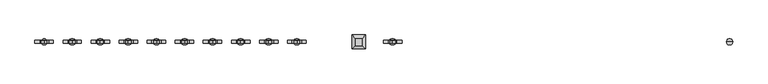
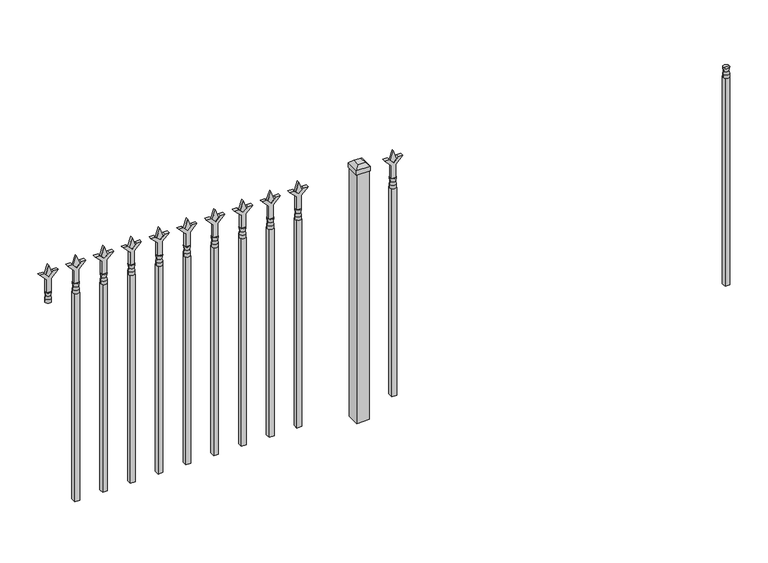
"""IFC4 building model written with IfcOpenShell, lengths in millimetres: railing geometry."""

from ifc_helpers import new_model, si_unit, frame, origin, origin_with_axes, place, context, project, spatial, polyline, circle_curve, outline, extrude, faceted_brep, source, transform, mapped, element, save
from ifc_brep_helpers import plane_surface, cylinder_surface, revolved_surface, advanced_brep


def railing_5a9f447e(model_context):
    return source(origin(), model_context, "Body", "SolidModel", [
        advanced_brep(
        [(-82699.574337, -3073.6570174, 927.1), (-82723.386837, -3073.6570174, 927.1), (-82723.386837, -3073.6570174, 914.4), (-82699.574337, -3073.6570174, 914.4), (-82701.7796688, -3073.6570174, 939.6070585), (-82721.1815051, -3073.6570174, 939.6070585), (-82699.574337, -3073.6570174, 955.675), (-82723.386837, -3073.6570174, 955.675), (-82711.480587, -3073.6570174, 955.675), (-82711.480587, -3073.6570174, 914.4)],
        [
            (0, 1, circle_curve(frame((-82711.480587, -3073.6570174, 927.1), z_axis=(0.0, 0.0, -1.0), x_axis=(-1.0, 0.0, 0.0)), 11.90625)),
            (1, 2),
            (2, 3, circle_curve(frame((-82711.480587, -3073.6570174, 914.4), z_axis=(0.0, 0.0, 1.0), x_axis=(-1.0, 0.0, 0.0)), 11.90625)),
            (3, 0),
            (1, 0, circle_curve(frame((-82711.480587, -3073.6570174, 927.1), z_axis=(0.0, 0.0, -1.0), x_axis=(-1.0, 0.0, 0.0)), 11.90625)),
            (3, 2, circle_curve(frame((-82711.480587, -3073.6570174, 914.4), z_axis=(0.0, 0.0, 1.0), x_axis=(-1.0, 0.0, 0.0)), 11.90625)),
            (4, 5, circle_curve(frame((-82711.480587, -3073.6570174, 939.6070585), z_axis=(0.0, 0.0, -1.0), x_axis=(-1.0, 0.0, 0.0)), 9.7009181)),
            (5, 1),
            (0, 4),
            (5, 4, circle_curve(frame((-82711.480587, -3073.6570174, 939.6070585), z_axis=(0.0, 0.0, -1.0), x_axis=(-1.0, 0.0, 0.0)), 9.7009181)),
            (6, 7, circle_curve(frame((-82711.480587, -3073.6570174, 955.675), z_axis=(0.0, 0.0, -1.0), x_axis=(-1.0, 0.0, 0.0)), 11.90625)),
            (7, 5),
            (4, 6),
            (7, 6, circle_curve(frame((-82711.480587, -3073.6570174, 955.675), z_axis=(0.0, 0.0, -1.0), x_axis=(-1.0, 0.0, 0.0)), 11.90625)),
            (8, 7),
            (6, 8),
            (2, 9),
            (9, 3),
        ],
        [
            cylinder_surface(frame((-82711.480587, -3073.6570174, 914.4), z_axis=(0.0, 0.0, 1.0), x_axis=(-1.0, 0.0, 0.0)), 11.90625),
            revolved_surface(polyline([(-82723.386837, -3073.6570174, 927.1), (-82721.1815051, -3073.6570174, 939.6070585)]), (-82711.480587, -3073.6570174, 914.4), (0.0, 0.0, 1.0)),
            revolved_surface(polyline([(-82721.1815051, -3073.6570174, 939.6070585), (-82723.386837, -3073.6570174, 955.675)]), (-82711.480587, -3073.6570174, 914.4), (0.0, 0.0, 1.0)),
            plane_surface(frame((-82711.480587, -3073.6570174, 955.675), z_axis=(0.0, 0.0, 1.0), x_axis=(-1.0, 0.0, 0.0))),
            plane_surface(frame((-82711.480587, -3073.6570174, 914.4), z_axis=(0.0, 0.0, -1.0), x_axis=(-1.0, 0.0, 0.0))),
        ],
        [
            (0, [[1, 2, 3, 4]]),
            (0, [[5, -4, 6, -2]]),
            (1, [[7, 8, -1, 9]]),
            (1, [[10, -9, -5, -8]]),
            (2, [[11, 12, -7, 13]]),
            (2, [[14, -13, -10, -12]]),
            (3, [[15, -11, 16]]),
            (3, [[-16, -14, -15]]),
            (4, [[-3, 17, 18]]),
            (4, [[-6, -18, -17]]),
        ],
    ),
        extrude(outline(polyline([(-82721.005587, -3064.1320174), (-82701.955587, -3064.1320174), (-82701.955587, -3083.1820174), (-82721.005587, -3083.1820174), (-82721.005587, -3064.1320174)])), frame((0.0, 0.0, 50.8), z_axis=(0.0, 0.0, 1.0), x_axis=(1.0, 0.0, 0.0)), (0.0, 0.0, 1.0), 863.6),
        extrude(outline(polyline([(1031.08125, -84010.849337), (1066.8, -84022.755587), (1031.08125, -84034.661837), (1019.175, -84022.755587), (1031.08125, -84010.849337)])), frame((0.0, -3078.4195174, 0.0), z_axis=(0.0, 1.0, 0.0), x_axis=(0.0, 0.0, 1.0)), (0.0, 0.0, 1.0), 9.525),
        extrude(outline(polyline([(955.675, -84014.024337), (1009.9457378, -84014.024337), (1037.1355122, -83986.8345625), (1037.1355122, -84004.7950747), (1019.175, -84022.755587), (1037.1355122, -84040.7160992), (1037.1355122, -84058.6766114), (1009.9457378, -84031.486837), (955.675, -84031.486837), (955.675, -84014.024337)])), frame((0.0, -3080.0070174, 0.0), z_axis=(0.0, 1.0, 0.0), x_axis=(0.0, 0.0, 1.0)), (0.0, 0.0, 1.0), 12.7),
        advanced_brep(
        [(-84010.849337, -3073.6570174, 927.1), (-84034.661837, -3073.6570174, 927.1), (-84034.661837, -3073.6570174, 914.4), (-84010.849337, -3073.6570174, 914.4), (-84013.0546688, -3073.6570174, 939.6070585), (-84032.4565051, -3073.6570174, 939.6070585), (-84010.849337, -3073.6570174, 955.675), (-84034.661837, -3073.6570174, 955.675), (-84022.755587, -3073.6570174, 955.675), (-84022.755587, -3073.6570174, 914.4)],
        [
            (0, 1, circle_curve(frame((-84022.755587, -3073.6570174, 927.1), z_axis=(0.0, 0.0, -1.0), x_axis=(-1.0, 0.0, 0.0)), 11.90625)),
            (1, 2),
            (2, 3, circle_curve(frame((-84022.755587, -3073.6570174, 914.4), z_axis=(0.0, 0.0, 1.0), x_axis=(-1.0, 0.0, 0.0)), 11.90625)),
            (3, 0),
            (1, 0, circle_curve(frame((-84022.755587, -3073.6570174, 927.1), z_axis=(0.0, 0.0, -1.0), x_axis=(-1.0, 0.0, 0.0)), 11.90625)),
            (3, 2, circle_curve(frame((-84022.755587, -3073.6570174, 914.4), z_axis=(0.0, 0.0, 1.0), x_axis=(-1.0, 0.0, 0.0)), 11.90625)),
            (4, 5, circle_curve(frame((-84022.755587, -3073.6570174, 939.6070585), z_axis=(0.0, 0.0, -1.0), x_axis=(-1.0, 0.0, 0.0)), 9.7009181)),
            (5, 1),
            (0, 4),
            (5, 4, circle_curve(frame((-84022.755587, -3073.6570174, 939.6070585), z_axis=(0.0, 0.0, -1.0), x_axis=(-1.0, 0.0, 0.0)), 9.7009181)),
            (6, 7, circle_curve(frame((-84022.755587, -3073.6570174, 955.675), z_axis=(0.0, 0.0, -1.0), x_axis=(-1.0, 0.0, 0.0)), 11.90625)),
            (7, 5),
            (4, 6),
            (7, 6, circle_curve(frame((-84022.755587, -3073.6570174, 955.675), z_axis=(0.0, 0.0, -1.0), x_axis=(-1.0, 0.0, 0.0)), 11.90625)),
            (8, 7),
            (6, 8),
            (2, 9),
            (9, 3),
        ],
        [
            cylinder_surface(frame((-84022.755587, -3073.6570174, 914.4), z_axis=(0.0, 0.0, 1.0), x_axis=(-1.0, 0.0, 0.0)), 11.90625),
            revolved_surface(polyline([(-84034.661837, -3073.6570174, 927.1), (-84032.4565051, -3073.6570174, 939.6070585)]), (-84022.755587, -3073.6570174, 914.4), (0.0, 0.0, 1.0)),
            revolved_surface(polyline([(-84032.4565051, -3073.6570174, 939.6070585), (-84034.661837, -3073.6570174, 955.675)]), (-84022.755587, -3073.6570174, 914.4), (0.0, 0.0, 1.0)),
            plane_surface(frame((-84022.755587, -3073.6570174, 955.675), z_axis=(0.0, 0.0, 1.0), x_axis=(-1.0, 0.0, 0.0))),
            plane_surface(frame((-84022.755587, -3073.6570174, 914.4), z_axis=(0.0, 0.0, -1.0), x_axis=(-1.0, 0.0, 0.0))),
        ],
        [
            (0, [[1, 2, 3, 4]]),
            (0, [[5, -4, 6, -2]]),
            (1, [[7, 8, -1, 9]]),
            (1, [[10, -9, -5, -8]]),
            (2, [[11, 12, -7, 13]]),
            (2, [[14, -13, -10, -12]]),
            (3, [[15, -11, 16]]),
            (3, [[-16, -14, -15]]),
            (4, [[-3, 17, 18]]),
            (4, [[-6, -18, -17]]),
        ],
    ),
        extrude(outline(polyline([(-84032.280587, -3064.1320174), (-84013.230587, -3064.1320174), (-84013.230587, -3083.1820174), (-84032.280587, -3083.1820174), (-84032.280587, -3064.1320174)])), frame((0.0, 0.0, 50.8), z_axis=(0.0, 0.0, 1.0), x_axis=(1.0, 0.0, 0.0)), (0.0, 0.0, 1.0), 863.6),
        faceted_brep([(-84181.505587, -3046.6695174, 1054.1), (-84181.505587, -3046.6695174, 1035.05), (-84181.505587, -3100.6445174, 1035.05), (-84181.505587, -3100.6445174, 1054.1), (-84168.805587, -3059.3695174, 1066.8), (-84168.805587, -3087.9445174, 1066.8), (-84127.530587, -3100.6445174, 1035.05), (-84127.530587, -3100.6445174, 1054.1), (-84140.230587, -3087.9445174, 1066.8), (-84127.530587, -3046.6695174, 1035.05), (-84127.530587, -3046.6695174, 1054.1), (-84140.230587, -3059.3695174, 1066.8)], [[[0, 1, 2, 3]], [[4, 0, 3, 5]], [[3, 2, 6, 7]], [[5, 3, 7, 8]], [[7, 6, 9, 10]], [[8, 7, 10, 11]], [[10, 9, 1, 0]], [[11, 10, 0, 4]], [[5, 8, 11, 4]], [[1, 9, 6, 2]]]),
        extrude(outline(polyline([(-84129.118087, -3048.2570174), (-84129.118087, -3099.0570174), (-84179.918087, -3099.0570174), (-84179.918087, -3048.2570174), (-84129.118087, -3048.2570174)])), origin_with_axes(), (0.0, 0.0, 1.0), 1035.05),
        extrude(outline(polyline([(1031.08125, -84383.6472536), (1066.8, -84395.5535036), (1031.08125, -84407.4597536), (1019.175, -84395.5535036), (1031.08125, -84383.6472536)])), frame((0.0, -3078.4195174, 0.0), z_axis=(0.0, 1.0, 0.0), x_axis=(0.0, 0.0, 1.0)), (0.0, 0.0, 1.0), 9.525),
        extrude(outline(polyline([(955.675, -84386.8222536), (1009.9457378, -84386.8222536), (1037.1355122, -84359.6324791), (1037.1355122, -84377.5929914), (1019.175, -84395.5535036), (1037.1355122, -84413.5140159), (1037.1355122, -84431.4745281), (1009.9457378, -84404.2847536), (955.675, -84404.2847536), (955.675, -84386.8222536)])), frame((0.0, -3080.0070174, 0.0), z_axis=(0.0, 1.0, 0.0), x_axis=(0.0, 0.0, 1.0)), (0.0, 0.0, 1.0), 12.7),
        advanced_brep(
        [(-84383.6472536, -3073.6570174, 927.1), (-84407.4597536, -3073.6570174, 927.1), (-84407.4597536, -3073.6570174, 914.4), (-84383.6472536, -3073.6570174, 914.4), (-84385.8525855, -3073.6570174, 939.6070585), (-84405.2544218, -3073.6570174, 939.6070585), (-84383.6472536, -3073.6570174, 955.675), (-84407.4597536, -3073.6570174, 955.675), (-84395.5535036, -3073.6570174, 955.675), (-84395.5535036, -3073.6570174, 914.4)],
        [
            (0, 1, circle_curve(frame((-84395.5535036, -3073.6570174, 927.1), z_axis=(0.0, 0.0, -1.0), x_axis=(-1.0, 0.0, 0.0)), 11.90625)),
            (1, 2),
            (2, 3, circle_curve(frame((-84395.5535036, -3073.6570174, 914.4), z_axis=(0.0, 0.0, 1.0), x_axis=(-1.0, 0.0, 0.0)), 11.90625)),
            (3, 0),
            (1, 0, circle_curve(frame((-84395.5535036, -3073.6570174, 927.1), z_axis=(0.0, 0.0, -1.0), x_axis=(-1.0, 0.0, 0.0)), 11.90625)),
            (3, 2, circle_curve(frame((-84395.5535036, -3073.6570174, 914.4), z_axis=(0.0, 0.0, 1.0), x_axis=(-1.0, 0.0, 0.0)), 11.90625)),
            (4, 5, circle_curve(frame((-84395.5535036, -3073.6570174, 939.6070585), z_axis=(0.0, 0.0, -1.0), x_axis=(-1.0, 0.0, 0.0)), 9.7009181)),
            (5, 1),
            (0, 4),
            (5, 4, circle_curve(frame((-84395.5535036, -3073.6570174, 939.6070585), z_axis=(0.0, 0.0, -1.0), x_axis=(-1.0, 0.0, 0.0)), 9.7009181)),
            (6, 7, circle_curve(frame((-84395.5535036, -3073.6570174, 955.675), z_axis=(0.0, 0.0, -1.0), x_axis=(-1.0, 0.0, 0.0)), 11.90625)),
            (7, 5),
            (4, 6),
            (7, 6, circle_curve(frame((-84395.5535036, -3073.6570174, 955.675), z_axis=(0.0, 0.0, -1.0), x_axis=(-1.0, 0.0, 0.0)), 11.90625)),
            (8, 7),
            (6, 8),
            (2, 9),
            (9, 3),
        ],
        [
            cylinder_surface(frame((-84395.5535036, -3073.6570174, 914.4), z_axis=(0.0, 0.0, 1.0), x_axis=(-1.0, 0.0, 0.0)), 11.90625),
            revolved_surface(polyline([(-84407.4597536, -3073.6570174, 927.1), (-84405.2544218, -3073.6570174, 939.6070585)]), (-84395.5535036, -3073.6570174, 914.4), (0.0, 0.0, 1.0)),
            revolved_surface(polyline([(-84405.2544218, -3073.6570174, 939.6070585), (-84407.4597536, -3073.6570174, 955.675)]), (-84395.5535036, -3073.6570174, 914.4), (0.0, 0.0, 1.0)),
            plane_surface(frame((-84395.5535036, -3073.6570174, 955.675), z_axis=(0.0, 0.0, 1.0), x_axis=(-1.0, 0.0, 0.0))),
            plane_surface(frame((-84395.5535036, -3073.6570174, 914.4), z_axis=(0.0, 0.0, -1.0), x_axis=(-1.0, 0.0, 0.0))),
        ],
        [
            (0, [[1, 2, 3, 4]]),
            (0, [[5, -4, 6, -2]]),
            (1, [[7, 8, -1, 9]]),
            (1, [[10, -9, -5, -8]]),
            (2, [[11, 12, -7, 13]]),
            (2, [[14, -13, -10, -12]]),
            (3, [[15, -11, 16]]),
            (3, [[-16, -14, -15]]),
            (4, [[-3, 17, 18]]),
            (4, [[-6, -18, -17]]),
        ],
    ),
        extrude(outline(polyline([(-84405.0785036, -3064.1320174), (-84386.0285036, -3064.1320174), (-84386.0285036, -3083.1820174), (-84405.0785036, -3083.1820174), (-84405.0785036, -3064.1320174)])), frame((0.0, 0.0, 50.8), z_axis=(0.0, 0.0, 1.0), x_axis=(1.0, 0.0, 0.0)), (0.0, 0.0, 1.0), 863.6),
        extrude(outline(polyline([(1031.08125, -84492.9201703), (1066.8, -84504.8264203), (1031.08125, -84516.7326703), (1019.175, -84504.8264203), (1031.08125, -84492.9201703)])), frame((0.0, -3078.4195174, 0.0), z_axis=(0.0, 1.0, 0.0), x_axis=(0.0, 0.0, 1.0)), (0.0, 0.0, 1.0), 9.525),
        extrude(outline(polyline([(955.675, -84496.0951703), (1009.9457378, -84496.0951703), (1037.1355122, -84468.9053958), (1037.1355122, -84486.8659081), (1019.175, -84504.8264203), (1037.1355122, -84522.7869325), (1037.1355122, -84540.7474448), (1009.9457378, -84513.5576703), (955.675, -84513.5576703), (955.675, -84496.0951703)])), frame((0.0, -3080.0070174, 0.0), z_axis=(0.0, 1.0, 0.0), x_axis=(0.0, 0.0, 1.0)), (0.0, 0.0, 1.0), 12.7),
        advanced_brep(
        [(-84492.9201703, -3073.6570174, 927.1), (-84516.7326703, -3073.6570174, 927.1), (-84516.7326703, -3073.6570174, 914.4), (-84492.9201703, -3073.6570174, 914.4), (-84495.1255022, -3073.6570174, 939.6070585), (-84514.5273384, -3073.6570174, 939.6070585), (-84492.9201703, -3073.6570174, 955.675), (-84516.7326703, -3073.6570174, 955.675), (-84504.8264203, -3073.6570174, 955.675), (-84504.8264203, -3073.6570174, 914.4)],
        [
            (0, 1, circle_curve(frame((-84504.8264203, -3073.6570174, 927.1), z_axis=(0.0, 0.0, -1.0), x_axis=(-1.0, 0.0, 0.0)), 11.90625)),
            (1, 2),
            (2, 3, circle_curve(frame((-84504.8264203, -3073.6570174, 914.4), z_axis=(0.0, 0.0, 1.0), x_axis=(-1.0, 0.0, 0.0)), 11.90625)),
            (3, 0),
            (1, 0, circle_curve(frame((-84504.8264203, -3073.6570174, 927.1), z_axis=(0.0, 0.0, -1.0), x_axis=(-1.0, 0.0, 0.0)), 11.90625)),
            (3, 2, circle_curve(frame((-84504.8264203, -3073.6570174, 914.4), z_axis=(0.0, 0.0, 1.0), x_axis=(-1.0, 0.0, 0.0)), 11.90625)),
            (4, 5, circle_curve(frame((-84504.8264203, -3073.6570174, 939.6070585), z_axis=(0.0, 0.0, -1.0), x_axis=(-1.0, 0.0, 0.0)), 9.7009181)),
            (5, 1),
            (0, 4),
            (5, 4, circle_curve(frame((-84504.8264203, -3073.6570174, 939.6070585), z_axis=(0.0, 0.0, -1.0), x_axis=(-1.0, 0.0, 0.0)), 9.7009181)),
            (6, 7, circle_curve(frame((-84504.8264203, -3073.6570174, 955.675), z_axis=(0.0, 0.0, -1.0), x_axis=(-1.0, 0.0, 0.0)), 11.90625)),
            (7, 5),
            (4, 6),
            (7, 6, circle_curve(frame((-84504.8264203, -3073.6570174, 955.675), z_axis=(0.0, 0.0, -1.0), x_axis=(-1.0, 0.0, 0.0)), 11.90625)),
            (8, 7),
            (6, 8),
            (2, 9),
            (9, 3),
        ],
        [
            cylinder_surface(frame((-84504.8264203, -3073.6570174, 914.4), z_axis=(0.0, 0.0, 1.0), x_axis=(-1.0, 0.0, 0.0)), 11.90625),
            revolved_surface(polyline([(-84516.7326703, -3073.6570174, 927.1), (-84514.5273384, -3073.6570174, 939.6070585)]), (-84504.8264203, -3073.6570174, 914.4), (0.0, 0.0, 1.0)),
            revolved_surface(polyline([(-84514.5273384, -3073.6570174, 939.6070585), (-84516.7326703, -3073.6570174, 955.675)]), (-84504.8264203, -3073.6570174, 914.4), (0.0, 0.0, 1.0)),
            plane_surface(frame((-84504.8264203, -3073.6570174, 955.675), z_axis=(0.0, 0.0, 1.0), x_axis=(-1.0, 0.0, 0.0))),
            plane_surface(frame((-84504.8264203, -3073.6570174, 914.4), z_axis=(0.0, 0.0, -1.0), x_axis=(-1.0, 0.0, 0.0))),
        ],
        [
            (0, [[1, 2, 3, 4]]),
            (0, [[5, -4, 6, -2]]),
            (1, [[7, 8, -1, 9]]),
            (1, [[10, -9, -5, -8]]),
            (2, [[11, 12, -7, 13]]),
            (2, [[14, -13, -10, -12]]),
            (3, [[15, -11, 16]]),
            (3, [[-16, -14, -15]]),
            (4, [[-3, 17, 18]]),
            (4, [[-6, -18, -17]]),
        ],
    ),
        extrude(outline(polyline([(-84514.3514203, -3064.1320174), (-84495.3014203, -3064.1320174), (-84495.3014203, -3083.1820174), (-84514.3514203, -3083.1820174), (-84514.3514203, -3064.1320174)])), frame((0.0, 0.0, 50.8), z_axis=(0.0, 0.0, 1.0), x_axis=(1.0, 0.0, 0.0)), (0.0, 0.0, 1.0), 863.6),
        extrude(outline(polyline([(1031.08125, -84602.193087), (1066.8, -84614.099337), (1031.08125, -84626.005587), (1019.175, -84614.099337), (1031.08125, -84602.193087)])), frame((0.0, -3078.4195174, 0.0), z_axis=(0.0, 1.0, 0.0), x_axis=(0.0, 0.0, 1.0)), (0.0, 0.0, 1.0), 9.525),
        extrude(outline(polyline([(955.675, -84605.368087), (1009.9457378, -84605.368087), (1037.1355122, -84578.1783125), (1037.1355122, -84596.1388247), (1019.175, -84614.099337), (1037.1355122, -84632.0598492), (1037.1355122, -84650.0203614), (1009.9457378, -84622.830587), (955.675, -84622.830587), (955.675, -84605.368087)])), frame((0.0, -3080.0070174, 0.0), z_axis=(0.0, 1.0, 0.0), x_axis=(0.0, 0.0, 1.0)), (0.0, 0.0, 1.0), 12.7),
        advanced_brep(
        [(-84602.193087, -3073.6570174, 927.1), (-84626.005587, -3073.6570174, 927.1), (-84626.005587, -3073.6570174, 914.4), (-84602.193087, -3073.6570174, 914.4), (-84604.3984188, -3073.6570174, 939.6070585), (-84623.8002551, -3073.6570174, 939.6070585), (-84602.193087, -3073.6570174, 955.675), (-84626.005587, -3073.6570174, 955.675), (-84614.099337, -3073.6570174, 955.675), (-84614.099337, -3073.6570174, 914.4)],
        [
            (0, 1, circle_curve(frame((-84614.099337, -3073.6570174, 927.1), z_axis=(0.0, 0.0, -1.0), x_axis=(-1.0, 0.0, 0.0)), 11.90625)),
            (1, 2),
            (2, 3, circle_curve(frame((-84614.099337, -3073.6570174, 914.4), z_axis=(0.0, 0.0, 1.0), x_axis=(-1.0, 0.0, 0.0)), 11.90625)),
            (3, 0),
            (1, 0, circle_curve(frame((-84614.099337, -3073.6570174, 927.1), z_axis=(0.0, 0.0, -1.0), x_axis=(-1.0, 0.0, 0.0)), 11.90625)),
            (3, 2, circle_curve(frame((-84614.099337, -3073.6570174, 914.4), z_axis=(0.0, 0.0, 1.0), x_axis=(-1.0, 0.0, 0.0)), 11.90625)),
            (4, 5, circle_curve(frame((-84614.099337, -3073.6570174, 939.6070585), z_axis=(0.0, 0.0, -1.0), x_axis=(-1.0, 0.0, 0.0)), 9.7009181)),
            (5, 1),
            (0, 4),
            (5, 4, circle_curve(frame((-84614.099337, -3073.6570174, 939.6070585), z_axis=(0.0, 0.0, -1.0), x_axis=(-1.0, 0.0, 0.0)), 9.7009181)),
            (6, 7, circle_curve(frame((-84614.099337, -3073.6570174, 955.675), z_axis=(0.0, 0.0, -1.0), x_axis=(-1.0, 0.0, 0.0)), 11.90625)),
            (7, 5),
            (4, 6),
            (7, 6, circle_curve(frame((-84614.099337, -3073.6570174, 955.675), z_axis=(0.0, 0.0, -1.0), x_axis=(-1.0, 0.0, 0.0)), 11.90625)),
            (8, 7),
            (6, 8),
            (2, 9),
            (9, 3),
        ],
        [
            cylinder_surface(frame((-84614.099337, -3073.6570174, 914.4), z_axis=(0.0, 0.0, 1.0), x_axis=(-1.0, 0.0, 0.0)), 11.90625),
            revolved_surface(polyline([(-84626.005587, -3073.6570174, 927.1), (-84623.8002551, -3073.6570174, 939.6070585)]), (-84614.099337, -3073.6570174, 914.4), (0.0, 0.0, 1.0)),
            revolved_surface(polyline([(-84623.8002551, -3073.6570174, 939.6070585), (-84626.005587, -3073.6570174, 955.675)]), (-84614.099337, -3073.6570174, 914.4), (0.0, 0.0, 1.0)),
            plane_surface(frame((-84614.099337, -3073.6570174, 955.675), z_axis=(0.0, 0.0, 1.0), x_axis=(-1.0, 0.0, 0.0))),
            plane_surface(frame((-84614.099337, -3073.6570174, 914.4), z_axis=(0.0, 0.0, -1.0), x_axis=(-1.0, 0.0, 0.0))),
        ],
        [
            (0, [[1, 2, 3, 4]]),
            (0, [[5, -4, 6, -2]]),
            (1, [[7, 8, -1, 9]]),
            (1, [[10, -9, -5, -8]]),
            (2, [[11, 12, -7, 13]]),
            (2, [[14, -13, -10, -12]]),
            (3, [[15, -11, 16]]),
            (3, [[-16, -14, -15]]),
            (4, [[-3, 17, 18]]),
            (4, [[-6, -18, -17]]),
        ],
    ),
        extrude(outline(polyline([(-84623.624337, -3064.1320174), (-84604.574337, -3064.1320174), (-84604.574337, -3083.1820174), (-84623.624337, -3083.1820174), (-84623.624337, -3064.1320174)])), frame((0.0, 0.0, 50.8), z_axis=(0.0, 0.0, 1.0), x_axis=(1.0, 0.0, 0.0)), (0.0, 0.0, 1.0), 863.6),
        extrude(outline(polyline([(1031.08125, -84711.4660036), (1066.8, -84723.3722536), (1031.08125, -84735.2785036), (1019.175, -84723.3722536), (1031.08125, -84711.4660036)])), frame((0.0, -3078.4195174, 0.0), z_axis=(0.0, 1.0, 0.0), x_axis=(0.0, 0.0, 1.0)), (0.0, 0.0, 1.0), 9.525),
        extrude(outline(polyline([(955.675, -84714.6410036), (1009.9457378, -84714.6410036), (1037.1355122, -84687.4512291), (1037.1355122, -84705.4117414), (1019.175, -84723.3722536), (1037.1355122, -84741.3327659), (1037.1355122, -84759.2932781), (1009.9457378, -84732.1035036), (955.675, -84732.1035036), (955.675, -84714.6410036)])), frame((0.0, -3080.0070174, 0.0), z_axis=(0.0, 1.0, 0.0), x_axis=(0.0, 0.0, 1.0)), (0.0, 0.0, 1.0), 12.7),
        advanced_brep(
        [(-84711.4660036, -3073.6570174, 927.1), (-84735.2785036, -3073.6570174, 927.1), (-84735.2785036, -3073.6570174, 914.4), (-84711.4660036, -3073.6570174, 914.4), (-84713.6713355, -3073.6570174, 939.6070585), (-84733.0731718, -3073.6570174, 939.6070585), (-84711.4660036, -3073.6570174, 955.675), (-84735.2785036, -3073.6570174, 955.675), (-84723.3722536, -3073.6570174, 955.675), (-84723.3722536, -3073.6570174, 914.4)],
        [
            (0, 1, circle_curve(frame((-84723.3722536, -3073.6570174, 927.1), z_axis=(0.0, 0.0, -1.0), x_axis=(-1.0, 0.0, 0.0)), 11.90625)),
            (1, 2),
            (2, 3, circle_curve(frame((-84723.3722536, -3073.6570174, 914.4), z_axis=(0.0, 0.0, 1.0), x_axis=(-1.0, 0.0, 0.0)), 11.90625)),
            (3, 0),
            (1, 0, circle_curve(frame((-84723.3722536, -3073.6570174, 927.1), z_axis=(0.0, 0.0, -1.0), x_axis=(-1.0, 0.0, 0.0)), 11.90625)),
            (3, 2, circle_curve(frame((-84723.3722536, -3073.6570174, 914.4), z_axis=(0.0, 0.0, 1.0), x_axis=(-1.0, 0.0, 0.0)), 11.90625)),
            (4, 5, circle_curve(frame((-84723.3722536, -3073.6570174, 939.6070585), z_axis=(0.0, 0.0, -1.0), x_axis=(-1.0, 0.0, 0.0)), 9.7009181)),
            (5, 1),
            (0, 4),
            (5, 4, circle_curve(frame((-84723.3722536, -3073.6570174, 939.6070585), z_axis=(0.0, 0.0, -1.0), x_axis=(-1.0, 0.0, 0.0)), 9.7009181)),
            (6, 7, circle_curve(frame((-84723.3722536, -3073.6570174, 955.675), z_axis=(0.0, 0.0, -1.0), x_axis=(-1.0, 0.0, 0.0)), 11.90625)),
            (7, 5),
            (4, 6),
            (7, 6, circle_curve(frame((-84723.3722536, -3073.6570174, 955.675), z_axis=(0.0, 0.0, -1.0), x_axis=(-1.0, 0.0, 0.0)), 11.90625)),
            (8, 7),
            (6, 8),
            (2, 9),
            (9, 3),
        ],
        [
            cylinder_surface(frame((-84723.3722536, -3073.6570174, 914.4), z_axis=(0.0, 0.0, 1.0), x_axis=(-1.0, 0.0, 0.0)), 11.90625),
            revolved_surface(polyline([(-84735.2785036, -3073.6570174, 927.1), (-84733.0731718, -3073.6570174, 939.6070585)]), (-84723.3722536, -3073.6570174, 914.4), (0.0, 0.0, 1.0)),
            revolved_surface(polyline([(-84733.0731718, -3073.6570174, 939.6070585), (-84735.2785036, -3073.6570174, 955.675)]), (-84723.3722536, -3073.6570174, 914.4), (0.0, 0.0, 1.0)),
            plane_surface(frame((-84723.3722536, -3073.6570174, 955.675), z_axis=(0.0, 0.0, 1.0), x_axis=(-1.0, 0.0, 0.0))),
            plane_surface(frame((-84723.3722536, -3073.6570174, 914.4), z_axis=(0.0, 0.0, -1.0), x_axis=(-1.0, 0.0, 0.0))),
        ],
        [
            (0, [[1, 2, 3, 4]]),
            (0, [[5, -4, 6, -2]]),
            (1, [[7, 8, -1, 9]]),
            (1, [[10, -9, -5, -8]]),
            (2, [[11, 12, -7, 13]]),
            (2, [[14, -13, -10, -12]]),
            (3, [[15, -11, 16]]),
            (3, [[-16, -14, -15]]),
            (4, [[-3, 17, 18]]),
            (4, [[-6, -18, -17]]),
        ],
    ),
        extrude(outline(polyline([(-84732.8972536, -3064.1320174), (-84713.8472536, -3064.1320174), (-84713.8472536, -3083.1820174), (-84732.8972536, -3083.1820174), (-84732.8972536, -3064.1320174)])), frame((0.0, 0.0, 50.8), z_axis=(0.0, 0.0, 1.0), x_axis=(1.0, 0.0, 0.0)), (0.0, 0.0, 1.0), 863.6),
        extrude(outline(polyline([(1031.08125, -84820.7389203), (1066.8, -84832.6451703), (1031.08125, -84844.5514203), (1019.175, -84832.6451703), (1031.08125, -84820.7389203)])), frame((0.0, -3078.4195174, 0.0), z_axis=(0.0, 1.0, 0.0), x_axis=(0.0, 0.0, 1.0)), (0.0, 0.0, 1.0), 9.525),
        extrude(outline(polyline([(955.675, -84823.9139203), (1009.9457378, -84823.9139203), (1037.1355122, -84796.7241458), (1037.1355122, -84814.6846581), (1019.175, -84832.6451703), (1037.1355122, -84850.6056825), (1037.1355122, -84868.5661948), (1009.9457378, -84841.3764203), (955.675, -84841.3764203), (955.675, -84823.9139203)])), frame((0.0, -3080.0070174, 0.0), z_axis=(0.0, 1.0, 0.0), x_axis=(0.0, 0.0, 1.0)), (0.0, 0.0, 1.0), 12.7),
        advanced_brep(
        [(-84820.7389203, -3073.6570174, 927.1), (-84844.5514203, -3073.6570174, 927.1), (-84844.5514203, -3073.6570174, 914.4), (-84820.7389203, -3073.6570174, 914.4), (-84822.9442522, -3073.6570174, 939.6070585), (-84842.3460884, -3073.6570174, 939.6070585), (-84820.7389203, -3073.6570174, 955.675), (-84844.5514203, -3073.6570174, 955.675), (-84832.6451703, -3073.6570174, 955.675), (-84832.6451703, -3073.6570174, 914.4)],
        [
            (0, 1, circle_curve(frame((-84832.6451703, -3073.6570174, 927.1), z_axis=(0.0, 0.0, -1.0), x_axis=(-1.0, 0.0, 0.0)), 11.90625)),
            (1, 2),
            (2, 3, circle_curve(frame((-84832.6451703, -3073.6570174, 914.4), z_axis=(0.0, 0.0, 1.0), x_axis=(-1.0, 0.0, 0.0)), 11.90625)),
            (3, 0),
            (1, 0, circle_curve(frame((-84832.6451703, -3073.6570174, 927.1), z_axis=(0.0, 0.0, -1.0), x_axis=(-1.0, 0.0, 0.0)), 11.90625)),
            (3, 2, circle_curve(frame((-84832.6451703, -3073.6570174, 914.4), z_axis=(0.0, 0.0, 1.0), x_axis=(-1.0, 0.0, 0.0)), 11.90625)),
            (4, 5, circle_curve(frame((-84832.6451703, -3073.6570174, 939.6070585), z_axis=(0.0, 0.0, -1.0), x_axis=(-1.0, 0.0, 0.0)), 9.7009181)),
            (5, 1),
            (0, 4),
            (5, 4, circle_curve(frame((-84832.6451703, -3073.6570174, 939.6070585), z_axis=(0.0, 0.0, -1.0), x_axis=(-1.0, 0.0, 0.0)), 9.7009181)),
            (6, 7, circle_curve(frame((-84832.6451703, -3073.6570174, 955.675), z_axis=(0.0, 0.0, -1.0), x_axis=(-1.0, 0.0, 0.0)), 11.90625)),
            (7, 5),
            (4, 6),
            (7, 6, circle_curve(frame((-84832.6451703, -3073.6570174, 955.675), z_axis=(0.0, 0.0, -1.0), x_axis=(-1.0, 0.0, 0.0)), 11.90625)),
            (8, 7),
            (6, 8),
            (2, 9),
            (9, 3),
        ],
        [
            cylinder_surface(frame((-84832.6451703, -3073.6570174, 914.4), z_axis=(0.0, 0.0, 1.0), x_axis=(-1.0, 0.0, 0.0)), 11.90625),
            revolved_surface(polyline([(-84844.5514203, -3073.6570174, 927.1), (-84842.3460884, -3073.6570174, 939.6070585)]), (-84832.6451703, -3073.6570174, 914.4), (0.0, 0.0, 1.0)),
            revolved_surface(polyline([(-84842.3460884, -3073.6570174, 939.6070585), (-84844.5514203, -3073.6570174, 955.675)]), (-84832.6451703, -3073.6570174, 914.4), (0.0, 0.0, 1.0)),
            plane_surface(frame((-84832.6451703, -3073.6570174, 955.675), z_axis=(0.0, 0.0, 1.0), x_axis=(-1.0, 0.0, 0.0))),
            plane_surface(frame((-84832.6451703, -3073.6570174, 914.4), z_axis=(0.0, 0.0, -1.0), x_axis=(-1.0, 0.0, 0.0))),
        ],
        [
            (0, [[1, 2, 3, 4]]),
            (0, [[5, -4, 6, -2]]),
            (1, [[7, 8, -1, 9]]),
            (1, [[10, -9, -5, -8]]),
            (2, [[11, 12, -7, 13]]),
            (2, [[14, -13, -10, -12]]),
            (3, [[15, -11, 16]]),
            (3, [[-16, -14, -15]]),
            (4, [[-3, 17, 18]]),
            (4, [[-6, -18, -17]]),
        ],
    ),
        extrude(outline(polyline([(-84842.1701703, -3064.1320174), (-84823.1201703, -3064.1320174), (-84823.1201703, -3083.1820174), (-84842.1701703, -3083.1820174), (-84842.1701703, -3064.1320174)])), frame((0.0, 0.0, 50.8), z_axis=(0.0, 0.0, 1.0), x_axis=(1.0, 0.0, 0.0)), (0.0, 0.0, 1.0), 863.6),
        extrude(outline(polyline([(1031.08125, -84930.011837), (1066.8, -84941.918087), (1031.08125, -84953.824337), (1019.175, -84941.918087), (1031.08125, -84930.011837)])), frame((0.0, -3078.4195174, 0.0), z_axis=(0.0, 1.0, 0.0), x_axis=(0.0, 0.0, 1.0)), (0.0, 0.0, 1.0), 9.525),
        extrude(outline(polyline([(955.675, -84933.186837), (1009.9457378, -84933.186837), (1037.1355122, -84905.9970625), (1037.1355122, -84923.9575747), (1019.175, -84941.918087), (1037.1355122, -84959.8785992), (1037.1355122, -84977.8391114), (1009.9457378, -84950.649337), (955.675, -84950.649337), (955.675, -84933.186837)])), frame((0.0, -3080.0070174, 0.0), z_axis=(0.0, 1.0, 0.0), x_axis=(0.0, 0.0, 1.0)), (0.0, 0.0, 1.0), 12.7),
        advanced_brep(
        [(-84930.011837, -3073.6570174, 927.1), (-84953.824337, -3073.6570174, 927.1), (-84953.824337, -3073.6570174, 914.4), (-84930.011837, -3073.6570174, 914.4), (-84932.2171688, -3073.6570174, 939.6070585), (-84951.6190051, -3073.6570174, 939.6070585), (-84930.011837, -3073.6570174, 955.675), (-84953.824337, -3073.6570174, 955.675), (-84941.918087, -3073.6570174, 955.675), (-84941.918087, -3073.6570174, 914.4)],
        [
            (0, 1, circle_curve(frame((-84941.918087, -3073.6570174, 927.1), z_axis=(0.0, 0.0, -1.0), x_axis=(-1.0, 0.0, 0.0)), 11.90625)),
            (1, 2),
            (2, 3, circle_curve(frame((-84941.918087, -3073.6570174, 914.4), z_axis=(0.0, 0.0, 1.0), x_axis=(-1.0, 0.0, 0.0)), 11.90625)),
            (3, 0),
            (1, 0, circle_curve(frame((-84941.918087, -3073.6570174, 927.1), z_axis=(0.0, 0.0, -1.0), x_axis=(-1.0, 0.0, 0.0)), 11.90625)),
            (3, 2, circle_curve(frame((-84941.918087, -3073.6570174, 914.4), z_axis=(0.0, 0.0, 1.0), x_axis=(-1.0, 0.0, 0.0)), 11.90625)),
            (4, 5, circle_curve(frame((-84941.918087, -3073.6570174, 939.6070585), z_axis=(0.0, 0.0, -1.0), x_axis=(-1.0, 0.0, 0.0)), 9.7009181)),
            (5, 1),
            (0, 4),
            (5, 4, circle_curve(frame((-84941.918087, -3073.6570174, 939.6070585), z_axis=(0.0, 0.0, -1.0), x_axis=(-1.0, 0.0, 0.0)), 9.7009181)),
            (6, 7, circle_curve(frame((-84941.918087, -3073.6570174, 955.675), z_axis=(0.0, 0.0, -1.0), x_axis=(-1.0, 0.0, 0.0)), 11.90625)),
            (7, 5),
            (4, 6),
            (7, 6, circle_curve(frame((-84941.918087, -3073.6570174, 955.675), z_axis=(0.0, 0.0, -1.0), x_axis=(-1.0, 0.0, 0.0)), 11.90625)),
            (8, 7),
            (6, 8),
            (2, 9),
            (9, 3),
        ],
        [
            cylinder_surface(frame((-84941.918087, -3073.6570174, 914.4), z_axis=(0.0, 0.0, 1.0), x_axis=(-1.0, 0.0, 0.0)), 11.90625),
            revolved_surface(polyline([(-84953.824337, -3073.6570174, 927.1), (-84951.6190051, -3073.6570174, 939.6070585)]), (-84941.918087, -3073.6570174, 914.4), (0.0, 0.0, 1.0)),
            revolved_surface(polyline([(-84951.6190051, -3073.6570174, 939.6070585), (-84953.824337, -3073.6570174, 955.675)]), (-84941.918087, -3073.6570174, 914.4), (0.0, 0.0, 1.0)),
            plane_surface(frame((-84941.918087, -3073.6570174, 955.675), z_axis=(0.0, 0.0, 1.0), x_axis=(-1.0, 0.0, 0.0))),
            plane_surface(frame((-84941.918087, -3073.6570174, 914.4), z_axis=(0.0, 0.0, -1.0), x_axis=(-1.0, 0.0, 0.0))),
        ],
        [
            (0, [[1, 2, 3, 4]]),
            (0, [[5, -4, 6, -2]]),
            (1, [[7, 8, -1, 9]]),
            (1, [[10, -9, -5, -8]]),
            (2, [[11, 12, -7, 13]]),
            (2, [[14, -13, -10, -12]]),
            (3, [[15, -11, 16]]),
            (3, [[-16, -14, -15]]),
            (4, [[-3, 17, 18]]),
            (4, [[-6, -18, -17]]),
        ],
    ),
        extrude(outline(polyline([(-84951.443087, -3064.1320174), (-84932.393087, -3064.1320174), (-84932.393087, -3083.1820174), (-84951.443087, -3083.1820174), (-84951.443087, -3064.1320174)])), frame((0.0, 0.0, 50.8), z_axis=(0.0, 0.0, 1.0), x_axis=(1.0, 0.0, 0.0)), (0.0, 0.0, 1.0), 863.6),
        extrude(outline(polyline([(1031.08125, -85039.2847536), (1066.8, -85051.1910036), (1031.08125, -85063.0972536), (1019.175, -85051.1910036), (1031.08125, -85039.2847536)])), frame((0.0, -3078.4195174, 0.0), z_axis=(0.0, 1.0, 0.0), x_axis=(0.0, 0.0, 1.0)), (0.0, 0.0, 1.0), 9.525),
        extrude(outline(polyline([(955.675, -85042.4597536), (1009.9457378, -85042.4597536), (1037.1355122, -85015.2699791), (1037.1355122, -85033.2304914), (1019.175, -85051.1910036), (1037.1355122, -85069.1515159), (1037.1355122, -85087.1120281), (1009.9457378, -85059.9222536), (955.675, -85059.9222536), (955.675, -85042.4597536)])), frame((0.0, -3080.0070174, 0.0), z_axis=(0.0, 1.0, 0.0), x_axis=(0.0, 0.0, 1.0)), (0.0, 0.0, 1.0), 12.7),
        advanced_brep(
        [(-85039.2847536, -3073.6570174, 927.1), (-85063.0972536, -3073.6570174, 927.1), (-85063.0972536, -3073.6570174, 914.4), (-85039.2847536, -3073.6570174, 914.4), (-85041.4900855, -3073.6570174, 939.6070585), (-85060.8919218, -3073.6570174, 939.6070585), (-85039.2847536, -3073.6570174, 955.675), (-85063.0972536, -3073.6570174, 955.675), (-85051.1910036, -3073.6570174, 955.675), (-85051.1910036, -3073.6570174, 914.4)],
        [
            (0, 1, circle_curve(frame((-85051.1910036, -3073.6570174, 927.1), z_axis=(0.0, 0.0, -1.0), x_axis=(-1.0, 0.0, 0.0)), 11.90625)),
            (1, 2),
            (2, 3, circle_curve(frame((-85051.1910036, -3073.6570174, 914.4), z_axis=(0.0, 0.0, 1.0), x_axis=(-1.0, 0.0, 0.0)), 11.90625)),
            (3, 0),
            (1, 0, circle_curve(frame((-85051.1910036, -3073.6570174, 927.1), z_axis=(0.0, 0.0, -1.0), x_axis=(-1.0, 0.0, 0.0)), 11.90625)),
            (3, 2, circle_curve(frame((-85051.1910036, -3073.6570174, 914.4), z_axis=(0.0, 0.0, 1.0), x_axis=(-1.0, 0.0, 0.0)), 11.90625)),
            (4, 5, circle_curve(frame((-85051.1910036, -3073.6570174, 939.6070585), z_axis=(0.0, 0.0, -1.0), x_axis=(-1.0, 0.0, 0.0)), 9.7009181)),
            (5, 1),
            (0, 4),
            (5, 4, circle_curve(frame((-85051.1910036, -3073.6570174, 939.6070585), z_axis=(0.0, 0.0, -1.0), x_axis=(-1.0, 0.0, 0.0)), 9.7009181)),
            (6, 7, circle_curve(frame((-85051.1910036, -3073.6570174, 955.675), z_axis=(0.0, 0.0, -1.0), x_axis=(-1.0, 0.0, 0.0)), 11.90625)),
            (7, 5),
            (4, 6),
            (7, 6, circle_curve(frame((-85051.1910036, -3073.6570174, 955.675), z_axis=(0.0, 0.0, -1.0), x_axis=(-1.0, 0.0, 0.0)), 11.90625)),
            (8, 7),
            (6, 8),
            (2, 9),
            (9, 3),
        ],
        [
            cylinder_surface(frame((-85051.1910036, -3073.6570174, 914.4), z_axis=(0.0, 0.0, 1.0), x_axis=(-1.0, 0.0, 0.0)), 11.90625),
            revolved_surface(polyline([(-85063.0972536, -3073.6570174, 927.1), (-85060.8919218, -3073.6570174, 939.6070585)]), (-85051.1910036, -3073.6570174, 914.4), (0.0, 0.0, 1.0)),
            revolved_surface(polyline([(-85060.8919218, -3073.6570174, 939.6070585), (-85063.0972536, -3073.6570174, 955.675)]), (-85051.1910036, -3073.6570174, 914.4), (0.0, 0.0, 1.0)),
            plane_surface(frame((-85051.1910036, -3073.6570174, 955.675), z_axis=(0.0, 0.0, 1.0), x_axis=(-1.0, 0.0, 0.0))),
            plane_surface(frame((-85051.1910036, -3073.6570174, 914.4), z_axis=(0.0, 0.0, -1.0), x_axis=(-1.0, 0.0, 0.0))),
        ],
        [
            (0, [[1, 2, 3, 4]]),
            (0, [[5, -4, 6, -2]]),
            (1, [[7, 8, -1, 9]]),
            (1, [[10, -9, -5, -8]]),
            (2, [[11, 12, -7, 13]]),
            (2, [[14, -13, -10, -12]]),
            (3, [[15, -11, 16]]),
            (3, [[-16, -14, -15]]),
            (4, [[-3, 17, 18]]),
            (4, [[-6, -18, -17]]),
        ],
    ),
        extrude(outline(polyline([(-85060.7160036, -3064.1320174), (-85041.6660036, -3064.1320174), (-85041.6660036, -3083.1820174), (-85060.7160036, -3083.1820174), (-85060.7160036, -3064.1320174)])), frame((0.0, 0.0, 50.8), z_axis=(0.0, 0.0, 1.0), x_axis=(1.0, 0.0, 0.0)), (0.0, 0.0, 1.0), 863.6),
        extrude(outline(polyline([(1031.08125, -85148.5576703), (1066.8, -85160.4639203), (1031.08125, -85172.3701703), (1019.175, -85160.4639203), (1031.08125, -85148.5576703)])), frame((0.0, -3078.4195174, 0.0), z_axis=(0.0, 1.0, 0.0), x_axis=(0.0, 0.0, 1.0)), (0.0, 0.0, 1.0), 9.525),
        extrude(outline(polyline([(955.675, -85151.7326703), (1009.9457378, -85151.7326703), (1037.1355122, -85124.5428958), (1037.1355122, -85142.5034081), (1019.175, -85160.4639203), (1037.1355122, -85178.4244325), (1037.1355122, -85196.3849448), (1009.9457378, -85169.1951703), (955.675, -85169.1951703), (955.675, -85151.7326703)])), frame((0.0, -3080.0070174, 0.0), z_axis=(0.0, 1.0, 0.0), x_axis=(0.0, 0.0, 1.0)), (0.0, 0.0, 1.0), 12.7),
        advanced_brep(
        [(-85148.5576703, -3073.6570174, 927.1), (-85172.3701703, -3073.6570174, 927.1), (-85172.3701703, -3073.6570174, 914.4), (-85148.5576703, -3073.6570174, 914.4), (-85150.7630022, -3073.6570174, 939.6070585), (-85170.1648384, -3073.6570174, 939.6070585), (-85148.5576703, -3073.6570174, 955.675), (-85172.3701703, -3073.6570174, 955.675), (-85160.4639203, -3073.6570174, 955.675), (-85160.4639203, -3073.6570174, 914.4)],
        [
            (0, 1, circle_curve(frame((-85160.4639203, -3073.6570174, 927.1), z_axis=(0.0, 0.0, -1.0), x_axis=(-1.0, 0.0, 0.0)), 11.90625)),
            (1, 2),
            (2, 3, circle_curve(frame((-85160.4639203, -3073.6570174, 914.4), z_axis=(0.0, 0.0, 1.0), x_axis=(-1.0, 0.0, 0.0)), 11.90625)),
            (3, 0),
            (1, 0, circle_curve(frame((-85160.4639203, -3073.6570174, 927.1), z_axis=(0.0, 0.0, -1.0), x_axis=(-1.0, 0.0, 0.0)), 11.90625)),
            (3, 2, circle_curve(frame((-85160.4639203, -3073.6570174, 914.4), z_axis=(0.0, 0.0, 1.0), x_axis=(-1.0, 0.0, 0.0)), 11.90625)),
            (4, 5, circle_curve(frame((-85160.4639203, -3073.6570174, 939.6070585), z_axis=(0.0, 0.0, -1.0), x_axis=(-1.0, 0.0, 0.0)), 9.7009181)),
            (5, 1),
            (0, 4),
            (5, 4, circle_curve(frame((-85160.4639203, -3073.6570174, 939.6070585), z_axis=(0.0, 0.0, -1.0), x_axis=(-1.0, 0.0, 0.0)), 9.7009181)),
            (6, 7, circle_curve(frame((-85160.4639203, -3073.6570174, 955.675), z_axis=(0.0, 0.0, -1.0), x_axis=(-1.0, 0.0, 0.0)), 11.90625)),
            (7, 5),
            (4, 6),
            (7, 6, circle_curve(frame((-85160.4639203, -3073.6570174, 955.675), z_axis=(0.0, 0.0, -1.0), x_axis=(-1.0, 0.0, 0.0)), 11.90625)),
            (8, 7),
            (6, 8),
            (2, 9),
            (9, 3),
        ],
        [
            cylinder_surface(frame((-85160.4639203, -3073.6570174, 914.4), z_axis=(0.0, 0.0, 1.0), x_axis=(-1.0, 0.0, 0.0)), 11.90625),
            revolved_surface(polyline([(-85172.3701703, -3073.6570174, 927.1), (-85170.1648384, -3073.6570174, 939.6070585)]), (-85160.4639203, -3073.6570174, 914.4), (0.0, 0.0, 1.0)),
            revolved_surface(polyline([(-85170.1648384, -3073.6570174, 939.6070585), (-85172.3701703, -3073.6570174, 955.675)]), (-85160.4639203, -3073.6570174, 914.4), (0.0, 0.0, 1.0)),
            plane_surface(frame((-85160.4639203, -3073.6570174, 955.675), z_axis=(0.0, 0.0, 1.0), x_axis=(-1.0, 0.0, 0.0))),
            plane_surface(frame((-85160.4639203, -3073.6570174, 914.4), z_axis=(0.0, 0.0, -1.0), x_axis=(-1.0, 0.0, 0.0))),
        ],
        [
            (0, [[1, 2, 3, 4]]),
            (0, [[5, -4, 6, -2]]),
            (1, [[7, 8, -1, 9]]),
            (1, [[10, -9, -5, -8]]),
            (2, [[11, 12, -7, 13]]),
            (2, [[14, -13, -10, -12]]),
            (3, [[15, -11, 16]]),
            (3, [[-16, -14, -15]]),
            (4, [[-3, 17, 18]]),
            (4, [[-6, -18, -17]]),
        ],
    ),
        extrude(outline(polyline([(-85169.9889203, -3064.1320174), (-85150.9389203, -3064.1320174), (-85150.9389203, -3083.1820174), (-85169.9889203, -3083.1820174), (-85169.9889203, -3064.1320174)])), frame((0.0, 0.0, 50.8), z_axis=(0.0, 0.0, 1.0), x_axis=(1.0, 0.0, 0.0)), (0.0, 0.0, 1.0), 863.6),
        extrude(outline(polyline([(1031.08125, -85257.830587), (1066.8, -85269.736837), (1031.08125, -85281.643087), (1019.175, -85269.736837), (1031.08125, -85257.830587)])), frame((0.0, -3078.4195174, 0.0), z_axis=(0.0, 1.0, 0.0), x_axis=(0.0, 0.0, 1.0)), (0.0, 0.0, 1.0), 9.525),
        extrude(outline(polyline([(955.675, -85261.005587), (1009.9457378, -85261.005587), (1037.1355122, -85233.8158125), (1037.1355122, -85251.7763247), (1019.175, -85269.736837), (1037.1355122, -85287.6973492), (1037.1355122, -85305.6578614), (1009.9457378, -85278.468087), (955.675, -85278.468087), (955.675, -85261.005587)])), frame((0.0, -3080.0070174, 0.0), z_axis=(0.0, 1.0, 0.0), x_axis=(0.0, 0.0, 1.0)), (0.0, 0.0, 1.0), 12.7),
        advanced_brep(
        [(-85257.830587, -3073.6570174, 927.1), (-85281.643087, -3073.6570174, 927.1), (-85281.643087, -3073.6570174, 914.4), (-85257.830587, -3073.6570174, 914.4), (-85260.0359188, -3073.6570174, 939.6070585), (-85279.4377551, -3073.6570174, 939.6070585), (-85257.830587, -3073.6570174, 955.675), (-85281.643087, -3073.6570174, 955.675), (-85269.736837, -3073.6570174, 955.675), (-85269.736837, -3073.6570174, 914.4)],
        [
            (0, 1, circle_curve(frame((-85269.736837, -3073.6570174, 927.1), z_axis=(0.0, 0.0, -1.0), x_axis=(-1.0, 0.0, 0.0)), 11.90625)),
            (1, 2),
            (2, 3, circle_curve(frame((-85269.736837, -3073.6570174, 914.4), z_axis=(0.0, 0.0, 1.0), x_axis=(-1.0, 0.0, 0.0)), 11.90625)),
            (3, 0),
            (1, 0, circle_curve(frame((-85269.736837, -3073.6570174, 927.1), z_axis=(0.0, 0.0, -1.0), x_axis=(-1.0, 0.0, 0.0)), 11.90625)),
            (3, 2, circle_curve(frame((-85269.736837, -3073.6570174, 914.4), z_axis=(0.0, 0.0, 1.0), x_axis=(-1.0, 0.0, 0.0)), 11.90625)),
            (4, 5, circle_curve(frame((-85269.736837, -3073.6570174, 939.6070585), z_axis=(0.0, 0.0, -1.0), x_axis=(-1.0, 0.0, 0.0)), 9.7009181)),
            (5, 1),
            (0, 4),
            (5, 4, circle_curve(frame((-85269.736837, -3073.6570174, 939.6070585), z_axis=(0.0, 0.0, -1.0), x_axis=(-1.0, 0.0, 0.0)), 9.7009181)),
            (6, 7, circle_curve(frame((-85269.736837, -3073.6570174, 955.675), z_axis=(0.0, 0.0, -1.0), x_axis=(-1.0, 0.0, 0.0)), 11.90625)),
            (7, 5),
            (4, 6),
            (7, 6, circle_curve(frame((-85269.736837, -3073.6570174, 955.675), z_axis=(0.0, 0.0, -1.0), x_axis=(-1.0, 0.0, 0.0)), 11.90625)),
            (8, 7),
            (6, 8),
            (2, 9),
            (9, 3),
        ],
        [
            cylinder_surface(frame((-85269.736837, -3073.6570174, 914.4), z_axis=(0.0, 0.0, 1.0), x_axis=(-1.0, 0.0, 0.0)), 11.90625),
            revolved_surface(polyline([(-85281.643087, -3073.6570174, 927.1), (-85279.4377551, -3073.6570174, 939.6070585)]), (-85269.736837, -3073.6570174, 914.4), (0.0, 0.0, 1.0)),
            revolved_surface(polyline([(-85279.4377551, -3073.6570174, 939.6070585), (-85281.643087, -3073.6570174, 955.675)]), (-85269.736837, -3073.6570174, 914.4), (0.0, 0.0, 1.0)),
            plane_surface(frame((-85269.736837, -3073.6570174, 955.675), z_axis=(0.0, 0.0, 1.0), x_axis=(-1.0, 0.0, 0.0))),
            plane_surface(frame((-85269.736837, -3073.6570174, 914.4), z_axis=(0.0, 0.0, -1.0), x_axis=(-1.0, 0.0, 0.0))),
        ],
        [
            (0, [[1, 2, 3, 4]]),
            (0, [[5, -4, 6, -2]]),
            (1, [[7, 8, -1, 9]]),
            (1, [[10, -9, -5, -8]]),
            (2, [[11, 12, -7, 13]]),
            (2, [[14, -13, -10, -12]]),
            (3, [[15, -11, 16]]),
            (3, [[-16, -14, -15]]),
            (4, [[-3, 17, 18]]),
            (4, [[-6, -18, -17]]),
        ],
    ),
        extrude(outline(polyline([(-85279.261837, -3064.1320174), (-85260.211837, -3064.1320174), (-85260.211837, -3083.1820174), (-85279.261837, -3083.1820174), (-85279.261837, -3064.1320174)])), frame((0.0, 0.0, 50.8), z_axis=(0.0, 0.0, 1.0), x_axis=(1.0, 0.0, 0.0)), (0.0, 0.0, 1.0), 863.6),
        extrude(outline(polyline([(1031.08125, -85367.1035036), (1066.8, -85379.0097536), (1031.08125, -85390.9160036), (1019.175, -85379.0097536), (1031.08125, -85367.1035036)])), frame((0.0, -3078.4195174, 0.0), z_axis=(0.0, 1.0, 0.0), x_axis=(0.0, 0.0, 1.0)), (0.0, 0.0, 1.0), 9.525),
        extrude(outline(polyline([(955.675, -85370.2785036), (1009.9457378, -85370.2785036), (1037.1355122, -85343.0887291), (1037.1355122, -85361.0492414), (1019.175, -85379.0097536), (1037.1355122, -85396.9702659), (1037.1355122, -85414.9307781), (1009.9457378, -85387.7410036), (955.675, -85387.7410036), (955.675, -85370.2785036)])), frame((0.0, -3080.0070174, 0.0), z_axis=(0.0, 1.0, 0.0), x_axis=(0.0, 0.0, 1.0)), (0.0, 0.0, 1.0), 12.7),
        advanced_brep(
        [(-85367.1035036, -3073.6570174, 927.1), (-85390.9160036, -3073.6570174, 927.1), (-85390.9160036, -3073.6570174, 914.4), (-85367.1035036, -3073.6570174, 914.4), (-85369.3088355, -3073.6570174, 939.6070585), (-85388.7106718, -3073.6570174, 939.6070585), (-85367.1035036, -3073.6570174, 955.675), (-85390.9160036, -3073.6570174, 955.675), (-85379.0097536, -3073.6570174, 955.675), (-85379.0097536, -3073.6570174, 914.4)],
        [
            (0, 1, circle_curve(frame((-85379.0097536, -3073.6570174, 927.1), z_axis=(0.0, 0.0, -1.0), x_axis=(-1.0, 0.0, 0.0)), 11.90625)),
            (1, 2),
            (2, 3, circle_curve(frame((-85379.0097536, -3073.6570174, 914.4), z_axis=(0.0, 0.0, 1.0), x_axis=(-1.0, 0.0, 0.0)), 11.90625)),
            (3, 0),
            (1, 0, circle_curve(frame((-85379.0097536, -3073.6570174, 927.1), z_axis=(0.0, 0.0, -1.0), x_axis=(-1.0, 0.0, 0.0)), 11.90625)),
            (3, 2, circle_curve(frame((-85379.0097536, -3073.6570174, 914.4), z_axis=(0.0, 0.0, 1.0), x_axis=(-1.0, 0.0, 0.0)), 11.90625)),
            (4, 5, circle_curve(frame((-85379.0097536, -3073.6570174, 939.6070585), z_axis=(0.0, 0.0, -1.0), x_axis=(-1.0, 0.0, 0.0)), 9.7009181)),
            (5, 1),
            (0, 4),
            (5, 4, circle_curve(frame((-85379.0097536, -3073.6570174, 939.6070585), z_axis=(0.0, 0.0, -1.0), x_axis=(-1.0, 0.0, 0.0)), 9.7009181)),
            (6, 7, circle_curve(frame((-85379.0097536, -3073.6570174, 955.675), z_axis=(0.0, 0.0, -1.0), x_axis=(-1.0, 0.0, 0.0)), 11.90625)),
            (7, 5),
            (4, 6),
            (7, 6, circle_curve(frame((-85379.0097536, -3073.6570174, 955.675), z_axis=(0.0, 0.0, -1.0), x_axis=(-1.0, 0.0, 0.0)), 11.90625)),
            (8, 7),
            (6, 8),
            (2, 9),
            (9, 3),
        ],
        [
            cylinder_surface(frame((-85379.0097536, -3073.6570174, 914.4), z_axis=(0.0, 0.0, 1.0), x_axis=(-1.0, 0.0, 0.0)), 11.90625),
            revolved_surface(polyline([(-85390.9160036, -3073.6570174, 927.1), (-85388.7106718, -3073.6570174, 939.6070585)]), (-85379.0097536, -3073.6570174, 914.4), (0.0, 0.0, 1.0)),
            revolved_surface(polyline([(-85388.7106718, -3073.6570174, 939.6070585), (-85390.9160036, -3073.6570174, 955.675)]), (-85379.0097536, -3073.6570174, 914.4), (0.0, 0.0, 1.0)),
            plane_surface(frame((-85379.0097536, -3073.6570174, 955.675), z_axis=(0.0, 0.0, 1.0), x_axis=(-1.0, 0.0, 0.0))),
            plane_surface(frame((-85379.0097536, -3073.6570174, 914.4), z_axis=(0.0, 0.0, -1.0), x_axis=(-1.0, 0.0, 0.0))),
        ],
        [
            (0, [[1, 2, 3, 4]]),
            (0, [[5, -4, 6, -2]]),
            (1, [[7, 8, -1, 9]]),
            (1, [[10, -9, -5, -8]]),
            (2, [[11, 12, -7, 13]]),
            (2, [[14, -13, -10, -12]]),
            (3, [[15, -11, 16]]),
            (3, [[-16, -14, -15]]),
            (4, [[-3, 17, 18]]),
            (4, [[-6, -18, -17]]),
        ],
    ),
    ])


if __name__ == "__main__":
    model = new_model("IFC4")
    model_context = context("Model", 3, world=origin())
    ifc_project = project(units=[si_unit("LENGTHUNIT", "METRE", prefix="MILLI")], contexts=[model_context])
    site = spatial("IfcSite", under=ifc_project)
    building = spatial("IfcBuilding", under=site)
    placement = place(None, origin())
    railing_shape = railing_5a9f447e(model_context)
    element("IfcRailing", 1, at=placement, inside=building, context=model_context, shape_type="MappedRepresentation", body=[
        mapped(railing_shape, transform((0.0, 0.0, 0.0), x_axis=(1.0, 0.0, 0.0), y_axis=(0.0, 1.0, 0.0), z_axis=(0.0, 0.0, 1.0))),
    ])
    save(model, "model.ifc")
